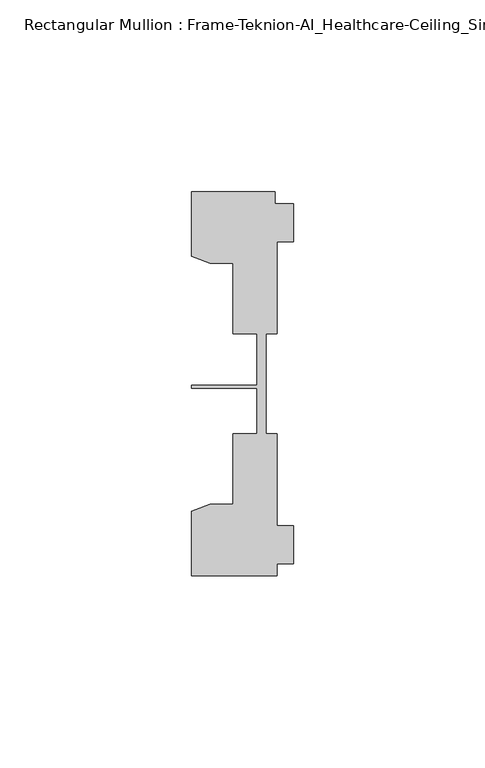
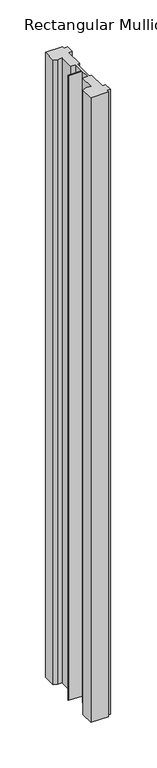
"""IFC4 building model written with IfcOpenShell, lengths in millimetres: member geometry, Rectangular Mullion : Frame-Teknion-AI_Healthcare-Ceiling_Single_Channel."""

from ifc_helpers import new_model, si_unit, frame, origin, place, context, project, spatial, polyline, outline, extrude, source, transform, mapped, element, save


def rectangular_mullion_frame_teknion_ai_healthcare_ceiling_37e04284(model_context):
    return source(origin(), model_context, "Body", "SweptSolid", [
        extrude(outline(polyline([(-26.4921999, 34.0201677), (-26.4921999, 50.8315128), (-4.7752002, 50.8315128), (-4.7752002, 47.782071), (0.0, 47.782071), (0.0, 37.7820716), (-4.2672007, 37.7820716), (-4.2672007, 13.9110722), (-7.1647766, 13.9110722), (-7.1647766, 0.0814804), (-7.1647766, -12.2509301), (-4.2672007, -12.2509301), (-4.2672007, -36.1219249), (0.0, -36.1219249), (0.0, -46.1219322), (-4.2672007, -46.1219322), (-4.2672007, -49.1699293), (-26.4921999, -49.1699293), (-26.4921999, -32.3600207), (-21.6625199, -30.6279561), (-15.6737764, -30.6279561), (-15.6737764, -12.2509301), (-9.4507761, -12.2509301), (-9.4507761, -0.4036528), (-26.4921999, -0.4036528), (-26.4921999, 0.4036528), (-9.4507761, 0.4036528), (-9.4507761, 13.9110722), (-15.6737764, 13.9110722), (-15.6737764, 32.2880982), (-21.6625199, 32.2880982), (-26.4921999, 34.0201677)])), frame((0.0, 0.0, -838.2), z_axis=(0.0, 0.0, 1.0), x_axis=(1.0, 0.0, 0.0)), (0.0, 0.0, 1.0), 838.2),
    ])


if __name__ == "__main__":
    model = new_model("IFC4")
    model_context = context("Model", 3, world=origin())
    ifc_project = project(units=[si_unit("LENGTHUNIT", "METRE", prefix="MILLI")], contexts=[model_context])
    site = spatial("IfcSite", under=ifc_project)
    building = spatial("IfcBuilding", under=site)
    placement = place(None, origin())
    rectangular_mullion_frame_teknion_ai_healthcare_ceiling_shape = rectangular_mullion_frame_teknion_ai_healthcare_ceiling_37e04284(model_context)
    element("IfcMember", 1, ObjectType="Rectangular Mullion : Frame-Teknion-AI_Healthcare-Ceiling_Single_Channel", at=placement, inside=building, context=model_context, shape_type="MappedRepresentation", body=[
        mapped(rectangular_mullion_frame_teknion_ai_healthcare_ceiling_shape, transform((0.0, 0.0, 0.0), x_axis=(1.0, 0.0, 0.0), y_axis=(0.0, 1.0, 0.0), z_axis=(0.0, 0.0, 1.0))),
    ])
    save(model, "model.ifc")
